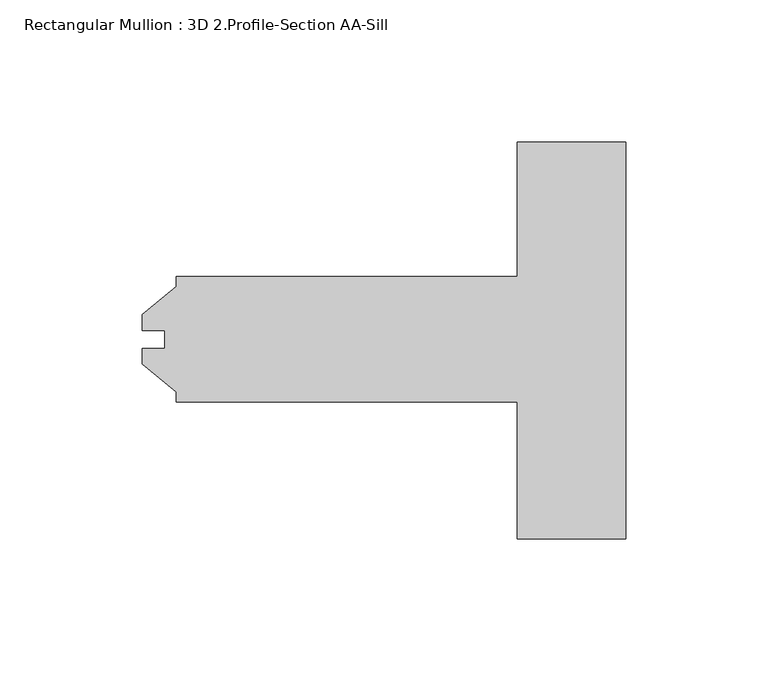
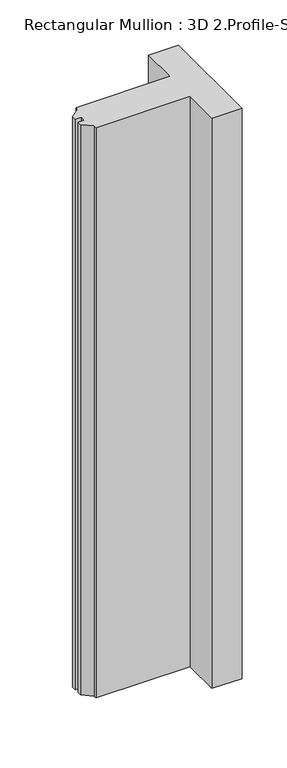
"""IFC4 building model written with IfcOpenShell, lengths in millimetres: member geometry, Rectangular Mullion : 3D 2.Profile-Section AA-Sill."""

from ifc_helpers import new_model, si_unit, frame, origin, place, context, project, spatial, polyline, outline, extrude, source, transform, mapped, element, save


def rectangular_mullion_3d_2_profile_section_aa_sill_fc0bd9a8(model_context):
    return source(origin(), model_context, "Body", "SweptSolid", [
        extrude(outline(polyline([(-170.0647623, -3.2199168), (-162.1209123, -3.2199168), (-162.1209123, 3.1300832), (-170.0647623, 3.1300832), (-170.0647623, 8.7053832), (-158.1585123, 18.4739192), (-158.1585123, 22.0530832), (-38.1, 22.0530832), (-38.1, 69.3539062), (0.0, 69.3539062), (0.0, -70.3460937), (-38.1, -70.3460938), (-38.1, -22.1429168), (-158.1585123, -22.1429168), (-158.1585123, -18.5637528), (-170.0647623, -8.7952168), (-170.0647623, -3.2199168)])), frame((0.0, 0.0, -768.3586199), z_axis=(0.0, 0.0, 1.0), x_axis=(1.0, 0.0, 0.0)), (0.0, 0.0, 1.0), 768.3586199),
    ])


if __name__ == "__main__":
    model = new_model("IFC4")
    model_context = context("Model", 3, world=origin())
    ifc_project = project(units=[si_unit("LENGTHUNIT", "METRE", prefix="MILLI")], contexts=[model_context])
    site = spatial("IfcSite", under=ifc_project)
    building = spatial("IfcBuilding", under=site)
    placement = place(None, origin())
    rectangular_mullion_3d_2_profile_section_aa_sill_shape = rectangular_mullion_3d_2_profile_section_aa_sill_fc0bd9a8(model_context)
    element("IfcMember", 1, ObjectType="Rectangular Mullion : 3D 2.Profile-Section AA-Sill", at=placement, inside=building, context=model_context, shape_type="MappedRepresentation", body=[
        mapped(rectangular_mullion_3d_2_profile_section_aa_sill_shape, transform((0.0, 0.0, 0.0), x_axis=(1.0, 0.0, 0.0), y_axis=(0.0, 1.0, 0.0), z_axis=(0.0, 0.0, 1.0))),
    ])
    save(model, "model.ifc")
